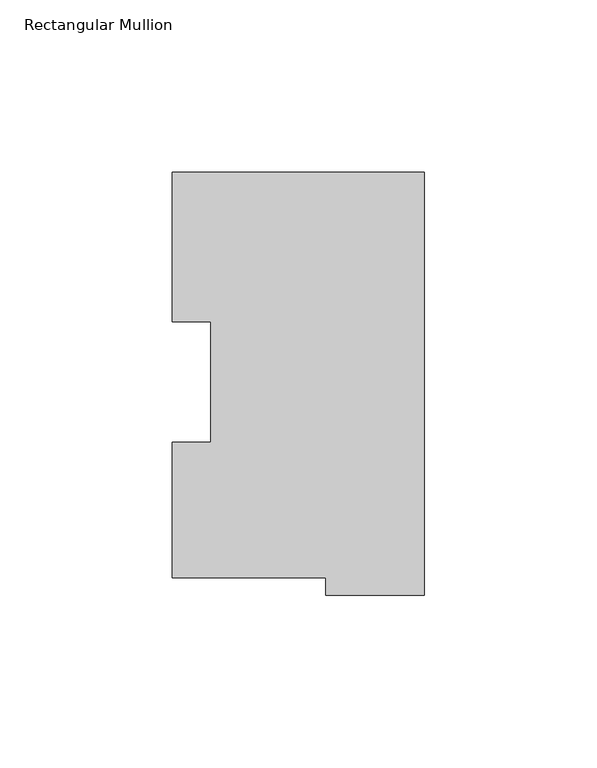
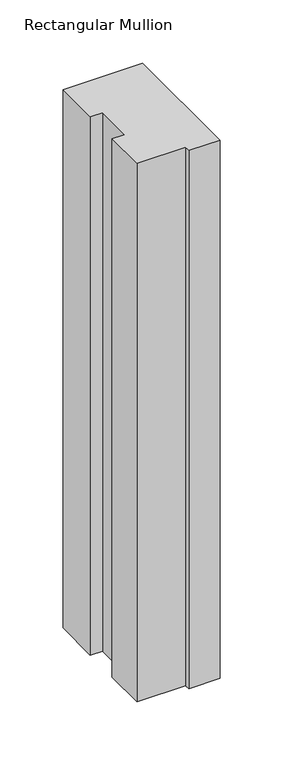
"""IFC4 building model written with IfcOpenShell, lengths in millimetres: member geometry, Rectangular Mullion."""

import ifcopenshell
import ifcopenshell.guid

model = None  # the IFC model being written
_history = None  # IfcOwnerHistory: only IFC2X3 demands one
_inside = {}  # id of a spatial element -> (the spatial element, [elements in it])
_under = {}  # id of a project, library or spatial element -> (it, [spatial elements below it])
_declared = {}  # id of a project -> (the project, [libraries it declares])
_typed = {}  # id of a type object -> (the type object, [elements of that type])
_made_of = {}  # id of a material, layer set ... -> (it, [elements and type objects made of it])


def new_model(schema):
    """Start an empty IFC model of exactly this schema.

    Asked for "IFC4X3", IfcOpenShell would pick the latest addendum, in which some entities
    have other attributes; the version numbers below select the first issue.
    IFC2X3 requires an IfcOwnerHistory on every rooted entity: one is made here for all.
    """
    global model, _history
    if schema == "IFC4X3":
        model = ifcopenshell.file(schema_version=(4, 3, 0, 0))
    else:
        model = ifcopenshell.file(schema=schema)
    _inside.clear()
    _under.clear()
    _declared.clear()
    _typed.clear()
    _made_of.clear()
    _history = None
    if model.schema == "IFC2X3":
        org = make("IfcOrganization", Name="unknown")
        user = make(
            "IfcPersonAndOrganization",
            ThePerson=make("IfcPerson", FamilyName="unknown"),
            TheOrganization=org,
        )
        app = make(
            "IfcApplication",
            ApplicationDeveloper=org,
            Version="unknown",
            ApplicationFullName="unknown",
            ApplicationIdentifier="unknown",
        )
        _history = make(
            "IfcOwnerHistory",
            OwningUser=user,
            OwningApplication=app,
            ChangeAction="ADDED",
            CreationDate=0,
        )
    return model


def make(cls, **values):
    """One entity of the class cls with the attributes given. An attribute that is None is left unset."""
    return model.create_entity(
        cls, **{name: value for name, value in values.items() if value is not None}
    )


def rooted(cls, **values):
    """An entity with a GlobalId (a new one), such as an element, a storey or a relation."""
    return make(cls, GlobalId=ifcopenshell.guid.new(), OwnerHistory=_history, **values)


def si_unit(unit_type, name, prefix=None):
    """IfcSIUnit, for example si_unit("LENGTHUNIT", "METRE", prefix="MILLI")."""
    return make("IfcSIUnit", UnitType=unit_type, Prefix=prefix, Name=name)


def assignment(units):
    """IfcUnitAssignment: the units of a project."""
    return None if units is None else make("IfcUnitAssignment", Units=units)


def point(xyz):
    """IfcCartesianPoint."""
    return None if xyz is None else make("IfcCartesianPoint", Coordinates=xyz)


def direction(xyz):
    """IfcDirection."""
    return None if xyz is None else make("IfcDirection", DirectionRatios=xyz)


def frame(location, z_axis=None, x_axis=None):
    """IfcAxis2Placement3D, a coordinate frame: its origin and axes. An axis left out is left unset."""
    return make(
        "IfcAxis2Placement3D",
        Location=point(location),
        Axis=direction(z_axis),
        RefDirection=direction(x_axis),
    )


def origin():
    """The frame at (0, 0, 0) with its axes left unset."""
    return frame((0.0, 0.0, 0.0))


def place(relative_to, where):
    """IfcLocalPlacement: puts the frame where relative to a parent placement (None: the world)."""
    return make(
        "IfcLocalPlacement", PlacementRelTo=relative_to, RelativePlacement=where
    )


def context(
    kind, dimensions, precision=None, world=None, true_north=None, identifier=None
):
    """IfcGeometricRepresentationContext, for example the 3D "Model" context."""
    return make(
        "IfcGeometricRepresentationContext",
        ContextIdentifier=identifier,
        ContextType=kind,
        CoordinateSpaceDimension=dimensions,
        Precision=precision,
        WorldCoordinateSystem=world,
        TrueNorth=true_north,
    )


def project(units=None, contexts=None):
    """IfcProject with its units and contexts."""
    return rooted(
        "IfcProject",
        Name="project",
        RepresentationContexts=contexts,
        UnitsInContext=assignment(units),
    )


def spatial(cls, under=None, at=None, **own):
    """A site, building, storey or space (cls), placed at a placement, below another one or the project."""
    s = rooted(cls, ObjectPlacement=at, **own)
    if under is not None:
        _under.setdefault(under.id(), (under, []))[1].append(s)
    return s


def polyline(points):
    """IfcPolyline through the points."""
    return make("IfcPolyline", Points=[point(p) for p in points])


def outline(outer, holes=None, kind="AREA"):
    """IfcArbitraryClosedProfileDef: a profile drawn as a closed curve; with holes, ...WithVoids."""
    if holes is None:
        return make("IfcArbitraryClosedProfileDef", ProfileType=kind, OuterCurve=outer)
    return make(
        "IfcArbitraryProfileDefWithVoids",
        ProfileType=kind,
        OuterCurve=outer,
        InnerCurves=holes,
    )


def extrude(swept, where, along, depth):
    """IfcExtrudedAreaSolid: the profile swept, set in the frame where, extruded along a direction by depth."""
    return make(
        "IfcExtrudedAreaSolid",
        SweptArea=swept,
        Position=where,
        ExtrudedDirection=direction(along),
        Depth=depth,
    )


def shape(context_of_items, identifier, shape_type, items):
    """IfcShapeRepresentation: the items that make up one representation, for example the "Body"."""
    return make(
        "IfcShapeRepresentation",
        ContextOfItems=context_of_items,
        RepresentationIdentifier=identifier,
        RepresentationType=shape_type,
        Items=items,
    )


def source(mapping_origin, context_of_items, identifier, shape_type, items):
    """IfcRepresentationMap: a shape defined once, which mapped items show again and again."""
    return make(
        "IfcRepresentationMap",
        MappingOrigin=mapping_origin,
        MappedRepresentation=shape(context_of_items, identifier, shape_type, items),
    )


def transform(
    local_origin,
    x_axis=None,
    y_axis=None,
    z_axis=None,
    scale=None,
    scale2=None,
    scale3=None,
    uniform=True,
):
    """IfcCartesianTransformationOperator3D, or its non-uniform kind. x_axis, y_axis, z_axis: its Axis1, 2, 3."""
    if uniform:
        return make(
            "IfcCartesianTransformationOperator3D",
            Axis1=direction(x_axis),
            Axis2=direction(y_axis),
            LocalOrigin=point(local_origin),
            Scale=scale,
            Axis3=direction(z_axis),
        )
    return make(
        "IfcCartesianTransformationOperator3DnonUniform",
        Axis1=direction(x_axis),
        Axis2=direction(y_axis),
        LocalOrigin=point(local_origin),
        Scale=scale,
        Axis3=direction(z_axis),
        Scale2=scale2,
        Scale3=scale3,
    )


def mapped(mapping_source, mapping_target):
    """IfcMappedItem: shows the shape of a source again, moved by a transform."""
    return make(
        "IfcMappedItem", MappingSource=mapping_source, MappingTarget=mapping_target
    )


def made_of(thing, what):
    """Note that an element or type object is made of a material, layer set ...; save() writes the relation."""
    if what is not None:
        _made_of.setdefault(what.id(), (what, []))[1].append(thing)
    return thing


def element(
    cls,
    number,
    at=None,
    inside=None,
    cuts=None,
    type_object=None,
    material=None,
    context=None,
    identifier="Body",
    shape_type=None,
    held_by="IfcProductDefinitionShape",
    body=None,
    shapes=None,
    **own,
):
    """One element of the class cls, such as IfcWall. Its Tag is "e" and its number.

    at: its placement. inside: the storey or other place that contains it. cuts: it is an
    opening in that element (IfcRelVoidsElement). A single representation is given by context,
    identifier, shape_type and body (its items); several are given by shapes. held_by: the class
    of the entity that holds the representations. save() writes the other relations.
    """
    e = rooted(cls, Tag="e%d" % number, ObjectPlacement=at, **own)
    if body is not None:
        shapes = [shape(context, identifier, shape_type, body)]
    if shapes is not None:
        e.Representation = make(held_by, Representations=shapes)
    if inside is not None:
        _inside.setdefault(inside.id(), (inside, []))[1].append(e)
    if cuts is not None:
        rooted(
            "IfcRelVoidsElement", RelatingBuildingElement=cuts, RelatedOpeningElement=e
        )
    if type_object is not None:
        _typed.setdefault(type_object.id(), (type_object, []))[1].append(e)
    return made_of(e, material)


def aggregate(whole, parts):
    """IfcRelAggregates: a whole, such as a stair, and the parts it consists of."""
    return rooted("IfcRelAggregates", RelatingObject=whole, RelatedObjects=parts)


def save(model, path):
    """Write the relations noted so far, then the file.

    IfcRelAggregates (storeys below a building ...), IfcRelContainedInSpatialStructure (elements
    in a storey), IfcRelDefinesByType, IfcRelAssociatesMaterial and IfcRelDeclares: one each for
    every whole, place, type object, material and project.
    """
    for whole, parts in _under.values():
        aggregate(whole, parts)
    for where, things in _inside.values():
        rooted(
            "IfcRelContainedInSpatialStructure",
            RelatedElements=things,
            RelatingStructure=where,
        )
    for kind, things in _typed.values():
        rooted("IfcRelDefinesByType", RelatedObjects=things, RelatingType=kind)
    for what, things in _made_of.values():
        rooted("IfcRelAssociatesMaterial", RelatedObjects=things, RelatingMaterial=what)
    for by, libraries in _declared.values():
        rooted("IfcRelDeclares", RelatingContext=by, RelatedDefinitions=libraries)
    model.write(path)


def rectangular_mullion_32cadd46(model_context):
    return source(origin(), model_context, "Body", "SweptSolid", [
        extrude(outline(polyline([(-73.025, 117.827425), (0.0, 117.827425), (0.0, -4.778375), (-28.575, -4.778375), (-28.575, 0.225425), (-73.025, 0.225425), (-73.025, 39.646225), (-61.9252, 39.646225), (-61.9252, 74.596625), (-73.025, 74.596625), (-73.025, 117.827425)])), frame((0.0, 0.0, -520.7), z_axis=(0.0, 0.0, 1.0), x_axis=(1.0, 0.0, 0.0)), (0.0, 0.0, 1.0), 520.7),
    ])


if __name__ == "__main__":
    model = new_model("IFC4")
    model_context = context("Model", 3, world=origin())
    ifc_project = project(units=[si_unit("LENGTHUNIT", "METRE", prefix="MILLI")], contexts=[model_context])
    site = spatial("IfcSite", under=ifc_project)
    building = spatial("IfcBuilding", under=site)
    placement = place(None, origin())
    rectangular_mullion_shape = rectangular_mullion_32cadd46(model_context)
    element("IfcMember", 1, ObjectType="Rectangular Mullion", at=placement, inside=building, context=model_context, shape_type="MappedRepresentation", body=[
        mapped(rectangular_mullion_shape, transform((0.0, 0.0, 0.0), x_axis=(1.0, 0.0, 0.0), y_axis=(0.0, 1.0, 0.0), z_axis=(0.0, 0.0, 1.0))),
    ])
    save(model, "model.ifc")
